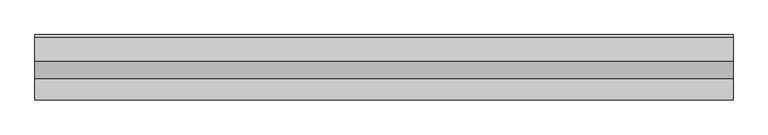
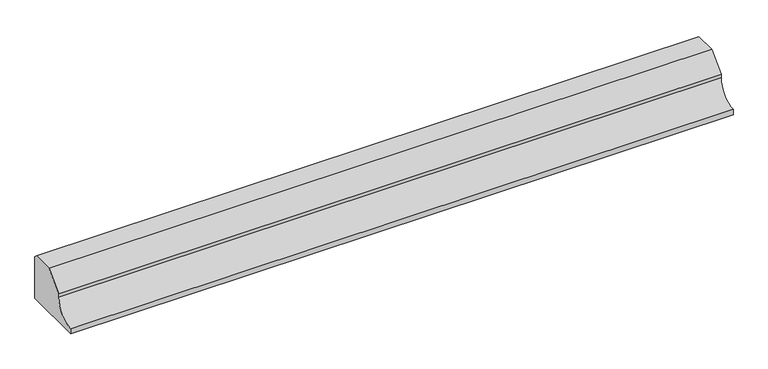
"""IFC4 building model written with IfcOpenShell, lengths in millimetres: proxy geometry."""

from ifc_helpers import new_model, si_unit, point, frame, frame_2d, origin, place, context, project, spatial, polyline, circle_curve, trimmed, segment, composite_curve, outline, extrude, source, transform, mapped, element, save


def generic_models_40856016(model_context):
    return source(origin(), model_context, "Body", "SweptSolid", [
        extrude(outline(composite_curve([segment(polyline([(-10944.7856698, 148.6), (-10865.3223642, 148.6), (-10855.0540151, 138.3316509), (-10855.0540151, -20.0), (-11080.0540151, -20.0), (-11080.0540151, 0.0)]), True, "CONTINUOUS"), segment(trimmed(circle_curve(frame_2d((-11080.0540151, 75.0)), 75.0), [point((-11080.0540151, 0.0))], [point((-11005.0540151, 75.0))], True, "CARTESIAN"), True, "CONTINUOUS"), segment(polyline([(-11005.0540151, 75.0), (-11005.0540151, 88.3316546), (-10944.7856698, 148.6)]), True, "CONTINUOUS")], self_intersect=False)), frame((-5302.3579656, 0.0, 0.0), z_axis=(1.0, 0.0, 0.0), x_axis=(0.0, 1.0, 0.0)), (0.0, 0.0, 1.0), 2400.0),
    ])


if __name__ == "__main__":
    model = new_model("IFC4")
    model_context = context("Model", 3, world=origin())
    ifc_project = project(units=[si_unit("LENGTHUNIT", "METRE", prefix="MILLI")], contexts=[model_context])
    site = spatial("IfcSite", under=ifc_project)
    building = spatial("IfcBuilding", under=site)
    placement = place(None, origin())
    generic_models_shape = generic_models_40856016(model_context)
    element("IfcBuildingElementProxy", 1, Name="Generic Models", at=placement, inside=building, context=model_context, shape_type="MappedRepresentation", body=[
        mapped(generic_models_shape, transform((0.0, 0.0, 0.0), x_axis=(1.0, 0.0, 0.0), y_axis=(0.0, 1.0, 0.0), z_axis=(0.0, 0.0, 1.0))),
    ])
    save(model, "model.ifc")
